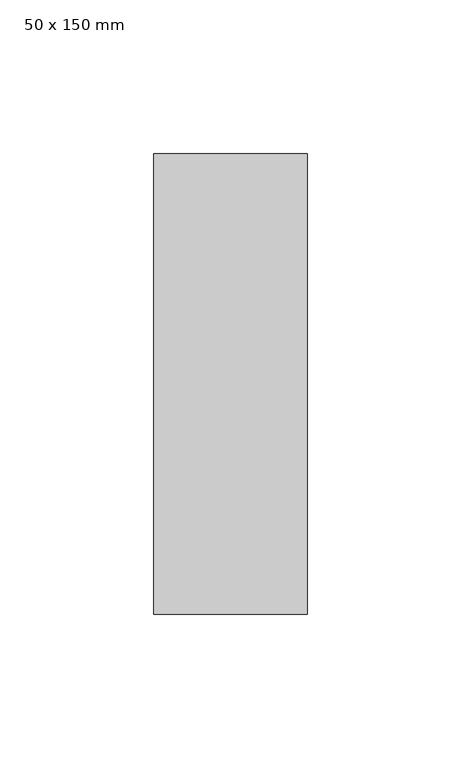
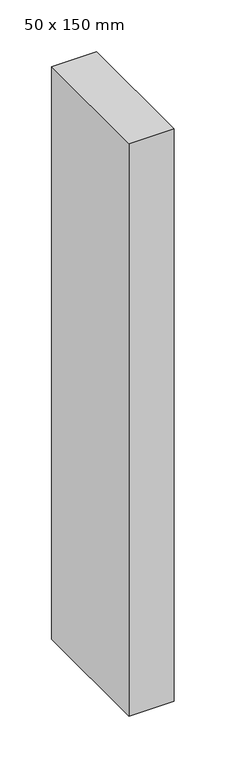
"""IFC4 building model written with IfcOpenShell, lengths in millimetres: member geometry, 50 x 150 mm."""

from ifc_helpers import new_model, si_unit, frame, origin, place, context, project, spatial, polyline, outline, extrude, source, transform, mapped, element, save


def member_50_x_150_mm_9e0f1e24(model_context):
    return source(origin(), model_context, "Body", "SweptSolid", [
        extrude(outline(polyline([(25.0, 75.0), (25.0, -75.0), (-25.0, -75.0), (-25.0, 75.0), (25.0, 75.0)])), frame((0.0, 0.0, -675.0), z_axis=(0.0, 0.0, 1.0), x_axis=(1.0, 0.0, 0.0)), (0.0, 0.0, 1.0), 675.0),
    ])


if __name__ == "__main__":
    model = new_model("IFC4")
    model_context = context("Model", 3, world=origin())
    ifc_project = project(units=[si_unit("LENGTHUNIT", "METRE", prefix="MILLI")], contexts=[model_context])
    site = spatial("IfcSite", under=ifc_project)
    building = spatial("IfcBuilding", under=site)
    placement = place(None, origin())
    member_50_x_150_mm_shape = member_50_x_150_mm_9e0f1e24(model_context)
    element("IfcMember", 1, ObjectType="50 x 150 mm", at=placement, inside=building, context=model_context, shape_type="MappedRepresentation", body=[
        mapped(member_50_x_150_mm_shape, transform((0.0, 0.0, 0.0), x_axis=(1.0, 0.0, 0.0), y_axis=(0.0, 1.0, 0.0), z_axis=(0.0, 0.0, 1.0))),
    ])
    save(model, "model.ifc")
